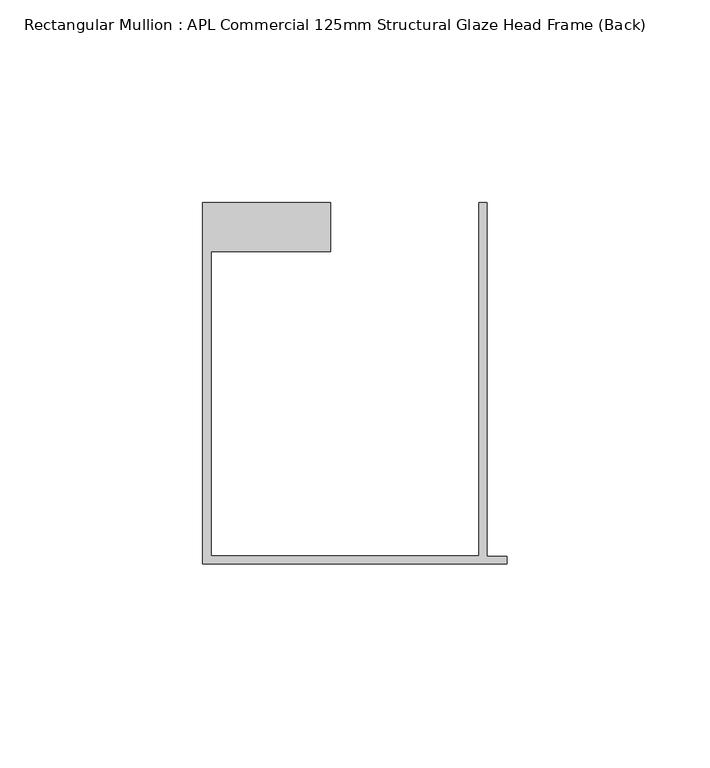
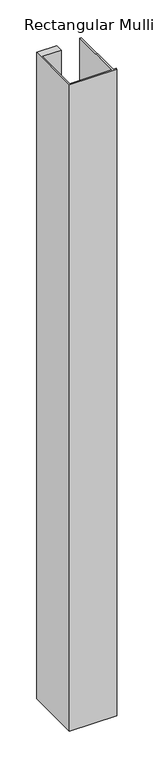
"""IFC4 building model written with IfcOpenShell, lengths in millimetres: member geometry, Rectangular Mullion : APL Commercial 125mm Structural Glaze Head Frame (Back)."""

from ifc_helpers import new_model, si_unit, frame, origin, place, context, project, spatial, polyline, outline, extrude, source, transform, mapped, element, save


def rectangular_mullion_apl_commercial_125mm_structural_glaze_d59c0259(model_context):
    return source(origin(), model_context, "Body", "SweptSolid", [
        extrude(outline(polyline([(-75.0, -103.9993063), (-75.0, -14.9998342), (-43.5000151, -14.9998342), (-43.5000151, -26.9997514), (-73.0, -26.9997514), (-73.0, -101.9993063), (-7.0, -101.9993063), (-7.0, -14.9998342), (-5.0, -14.9998342), (-5.0, -102.1993063), (0.0, -102.1993063), (0.0, -103.9993063), (-75.0, -103.9993063)])), frame((0.0, 0.0, -1076.7654614), z_axis=(0.0, 0.0, 1.0), x_axis=(1.0, 0.0, 0.0)), (0.0, 0.0, 1.0), 1076.7654614),
    ])


if __name__ == "__main__":
    model = new_model("IFC4")
    model_context = context("Model", 3, world=origin())
    ifc_project = project(units=[si_unit("LENGTHUNIT", "METRE", prefix="MILLI")], contexts=[model_context])
    site = spatial("IfcSite", under=ifc_project)
    building = spatial("IfcBuilding", under=site)
    placement = place(None, origin())
    rectangular_mullion_apl_commercial_125mm_structural_glaze_shape = rectangular_mullion_apl_commercial_125mm_structural_glaze_d59c0259(model_context)
    element("IfcMember", 1, ObjectType="Rectangular Mullion : APL Commercial 125mm Structural Glaze Head Frame (Back)", at=placement, inside=building, context=model_context, shape_type="MappedRepresentation", body=[
        mapped(rectangular_mullion_apl_commercial_125mm_structural_glaze_shape, transform((0.0, 0.0, 0.0), x_axis=(1.0, 0.0, 0.0), y_axis=(0.0, 1.0, 0.0), z_axis=(0.0, 0.0, 1.0))),
    ])
    save(model, "model.ifc")
